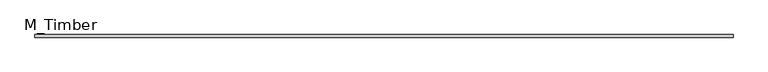
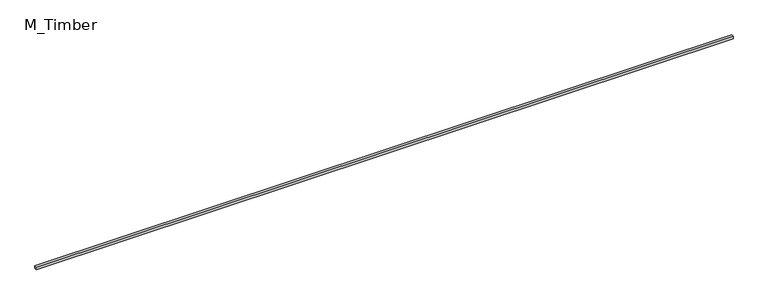
"""IFC4 building model written with IfcOpenShell, lengths in millimetres: beam geometry, M_Timber."""

from ifc_helpers import new_model, si_unit, frame, origin, place, context, project, spatial, polyline, outline, extrude, source, transform, mapped, element, save


def m_timber_7cfb1a53(model_context):
    return source(origin(), model_context, "Body", "SweptSolid", [
        extrude(outline(polyline([(5245.2201738, 20.0), (5245.2201738, -20.0), (-5245.2201738, -20.0), (-5245.2201738, 20.0), (5245.2201738, 20.0)])), frame((0.0, 0.0, -20.0), z_axis=(0.0, 0.0, 1.0), x_axis=(1.0, 0.0, 0.0)), (0.0, 0.0, 1.0), 40.0),
    ])


if __name__ == "__main__":
    model = new_model("IFC4")
    model_context = context("Model", 3, world=origin())
    ifc_project = project(units=[si_unit("LENGTHUNIT", "METRE", prefix="MILLI")], contexts=[model_context])
    site = spatial("IfcSite", under=ifc_project)
    building = spatial("IfcBuilding", under=site)
    placement = place(None, origin())
    m_timber_shape = m_timber_7cfb1a53(model_context)
    element("IfcBeam", 1, ObjectType="M_Timber", at=placement, inside=building, context=model_context, shape_type="MappedRepresentation", body=[
        mapped(m_timber_shape, transform((0.0, 0.0, 0.0), x_axis=(1.0, 0.0, 0.0), y_axis=(0.0, 1.0, 0.0), z_axis=(0.0, 0.0, 1.0))),
    ])
    save(model, "model.ifc")
